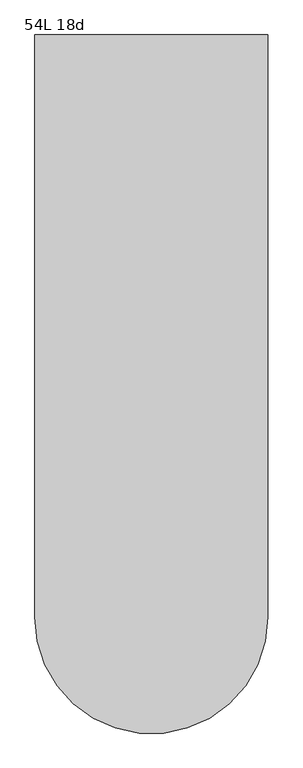
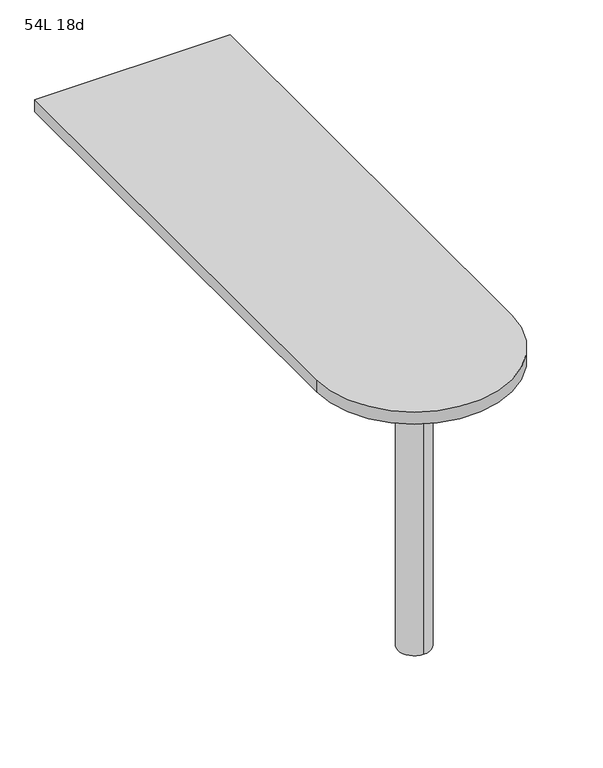
"""IFC4 building model written with IfcOpenShell, lengths in millimetres: furniture geometry, 54L 18d."""

from ifc_helpers import new_model, si_unit, point, frame, frame_2d, origin, place, context, project, spatial, polyline, circle_curve, trimmed, segment, composite_curve, outline, extrude, source, transform, mapped, element, save
from ifc_brep_helpers import plane_surface, cylinder_surface, advanced_brep


def furniture_54l_18d_6d91572e(model_context):
    return source(origin(), model_context, "Body", "SolidModel", [
        advanced_brep(
        [(0.0, -419.1, 706.4375), (0.0, -495.3, 706.4375), (0.0, -457.2, 706.4375), (0.0, -419.1, 0.0), (0.0, -495.3, 0.0), (0.0, -457.2, 0.0)],
        [
            (0, 1, circle_curve(frame((0.0, -457.2, 706.4375), z_axis=(0.0, 0.0, 1.0), x_axis=(0.0, -1.0, 0.0)), 38.1)),
            (1, 2),
            (2, 0),
            (1, 0, circle_curve(frame((0.0, -457.2, 706.4375), z_axis=(0.0, 0.0, 1.0), x_axis=(0.0, -1.0, 0.0)), 38.1)),
            (3, 4, circle_curve(frame((0.0, -457.2, 0.0), z_axis=(0.0, 0.0, 1.0), x_axis=(0.0, -1.0, 0.0)), 38.1)),
            (4, 1),
            (0, 3),
            (4, 3, circle_curve(frame((0.0, -457.2, 0.0), z_axis=(0.0, 0.0, 1.0), x_axis=(0.0, -1.0, 0.0)), 38.1)),
            (5, 4),
            (3, 5),
        ],
        [
            plane_surface(frame((0.0, -457.2, 706.4375), z_axis=(0.0, 0.0, 1.0), x_axis=(0.0, -1.0, 0.0))),
            cylinder_surface(frame((0.0, -457.2, 889.623257), z_axis=(0.0, 0.0, -1.0), x_axis=(0.0, -1.0, 0.0)), 38.1),
            plane_surface(frame((0.0, -457.2, 0.0), z_axis=(0.0, 0.0, -1.0), x_axis=(0.0, -1.0, 0.0))),
        ],
        [
            (0, [[1, 2, 3]]),
            (0, [[4, -3, -2]]),
            (1, [[5, 6, -1, 7]]),
            (1, [[8, -7, -4, -6]]),
            (2, [[9, -5, 10]]),
            (2, [[-10, -8, -9]]),
        ],
    ),
        extrude(outline(composite_curve([segment(polyline([(-228.6, -457.2), (-228.6, 685.8), (228.6, 685.8), (228.6, -457.2)]), True, "CONTINUOUS"), segment(trimmed(circle_curve(frame_2d((0.0, -457.2)), 228.6), [point((228.6, -457.2))], [point((-228.6, -457.2))], False, "CARTESIAN"), True, "CONTINUOUS")], self_intersect=False)), frame((0.0, 0.0, 706.4375), z_axis=(0.0, 0.0, 1.0), x_axis=(1.0, 0.0, 0.0)), (0.0, 0.0, 1.0), 30.1625),
    ])


if __name__ == "__main__":
    model = new_model("IFC4")
    model_context = context("Model", 3, world=origin())
    ifc_project = project(units=[si_unit("LENGTHUNIT", "METRE", prefix="MILLI")], contexts=[model_context])
    site = spatial("IfcSite", under=ifc_project)
    building = spatial("IfcBuilding", under=site)
    placement = place(None, origin())
    furniture_54l_18d_shape = furniture_54l_18d_6d91572e(model_context)
    element("IfcFurniture", 1, ObjectType="54L 18d", at=placement, inside=building, context=model_context, shape_type="MappedRepresentation", body=[
        mapped(furniture_54l_18d_shape, transform((0.0, 0.0, 0.0), x_axis=(1.0, 0.0, 0.0), y_axis=(0.0, 1.0, 0.0), z_axis=(0.0, 0.0, 1.0))),
    ])
    save(model, "model.ifc")
